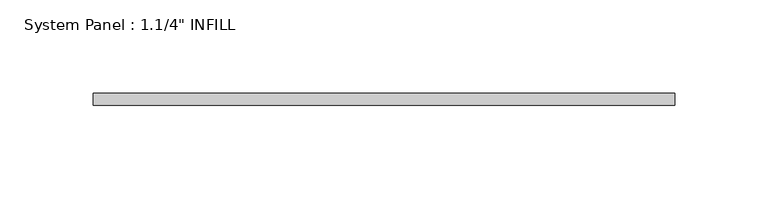
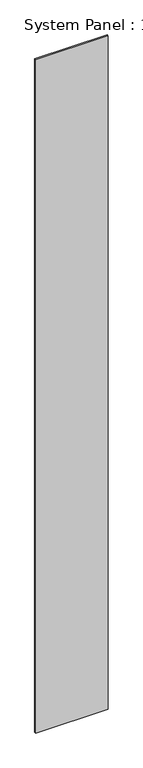
"""IFC4 building model written with IfcOpenShell, lengths in millimetres: plate geometry."""

from ifc_helpers import new_model, si_unit, origin, origin_with_axes, place, context, project, spatial, polyline, outline, extrude, source, transform, mapped, element, save


def plate_c5e52b12(model_context):
    return source(origin(), model_context, "Body", "SweptSolid", [
        extrude(outline(polyline([(155.575, -6.4492187), (-155.575, -6.4492187), (-155.575, -0.0992188), (155.575, -0.0992188), (155.575, -6.4492187)])), origin_with_axes(), (0.0, 0.0, 1.0), 3048.0),
    ])


if __name__ == "__main__":
    model = new_model("IFC4")
    model_context = context("Model", 3, world=origin())
    ifc_project = project(units=[si_unit("LENGTHUNIT", "METRE", prefix="MILLI")], contexts=[model_context])
    site = spatial("IfcSite", under=ifc_project)
    building = spatial("IfcBuilding", under=site)
    placement = place(None, origin())
    plate_shape = plate_c5e52b12(model_context)
    element("IfcPlate", 1, ObjectType="System Panel : 1.1/4\" INFILL", at=placement, inside=building, context=model_context, shape_type="MappedRepresentation", body=[
        mapped(plate_shape, transform((0.0, 0.0, 0.0), x_axis=(1.0, 0.0, 0.0), y_axis=(0.0, 1.0, 0.0), z_axis=(0.0, 0.0, 1.0))),
    ])
    save(model, "model.ifc")
